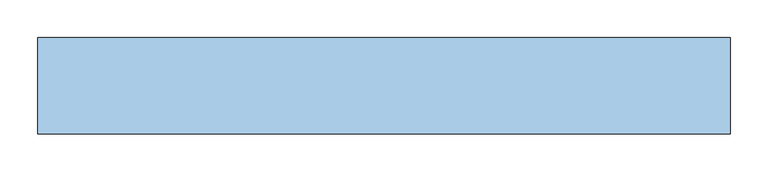
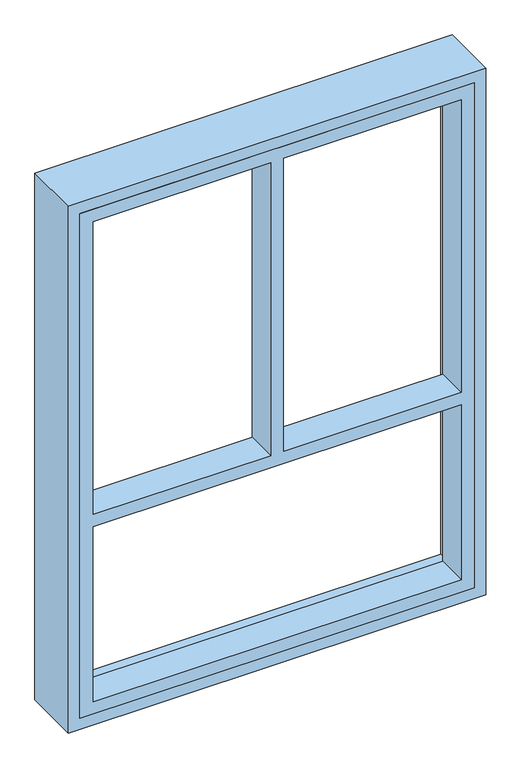
"""IFC4 building model written with IfcOpenShell, lengths in millimetres: window geometry."""

from ifc_helpers import new_model, si_unit, frame, origin, place, context, project, spatial, polyline, outline, extrude, source, transform, mapped, element, save


def window_6afaa8ef(model_context):
    return source(origin(), model_context, "Body", "SweptSolid", [
        extrude(outline(polyline([(2108.2, -431.8), (939.8, -431.8), (939.8, 431.8), (2108.2, 431.8), (2108.2, -431.8)]), holes=[polyline([(1373.1875, -403.225), (1373.1875, 403.225), (968.375, 403.225), (968.375, -403.225), (1373.1875, -403.225)]), polyline([(2079.625, -14.2875), (1401.7625, -14.2875), (1401.7625, -403.225), (2079.625, -403.225), (2079.625, -14.2875)]), polyline([(1401.7625, 14.2875), (2079.625, 14.2875), (2079.625, 403.225), (1401.7625, 403.225), (1401.7625, 14.2875)])]), frame((0.0, -50.8, 0.0), z_axis=(0.0, 1.0, 0.0), x_axis=(0.0, 0.0, 1.0)), (0.0, 0.0, 1.0), 69.85),
        extrude(outline(polyline([(2133.6, -457.2), (914.4, -457.2), (914.4, 457.2), (2133.6, 457.2), (2133.6, -457.2)]), holes=[polyline([(2108.2, -431.8), (2108.2, 431.8), (939.8, 431.8), (939.8, -431.8), (2108.2, -431.8)])]), frame((0.0, -50.8, 0.0), z_axis=(0.0, 1.0, 0.0), x_axis=(0.0, 0.0, 1.0)), (0.0, 0.0, 1.0), 127.0),
    ])


if __name__ == "__main__":
    model = new_model("IFC4")
    model_context = context("Model", 3, world=origin())
    ifc_project = project(units=[si_unit("LENGTHUNIT", "METRE", prefix="MILLI")], contexts=[model_context])
    site = spatial("IfcSite", under=ifc_project)
    building = spatial("IfcBuilding", under=site)
    placement = place(None, origin())
    window_shape = window_6afaa8ef(model_context)
    element("IfcWindow", 1, at=placement, inside=building, context=model_context, shape_type="MappedRepresentation", body=[
        mapped(window_shape, transform((0.0, 0.0, 0.0), x_axis=(1.0, 0.0, 0.0), y_axis=(0.0, 1.0, 0.0), z_axis=(0.0, 0.0, 1.0))),
    ])
    save(model, "model.ifc")
